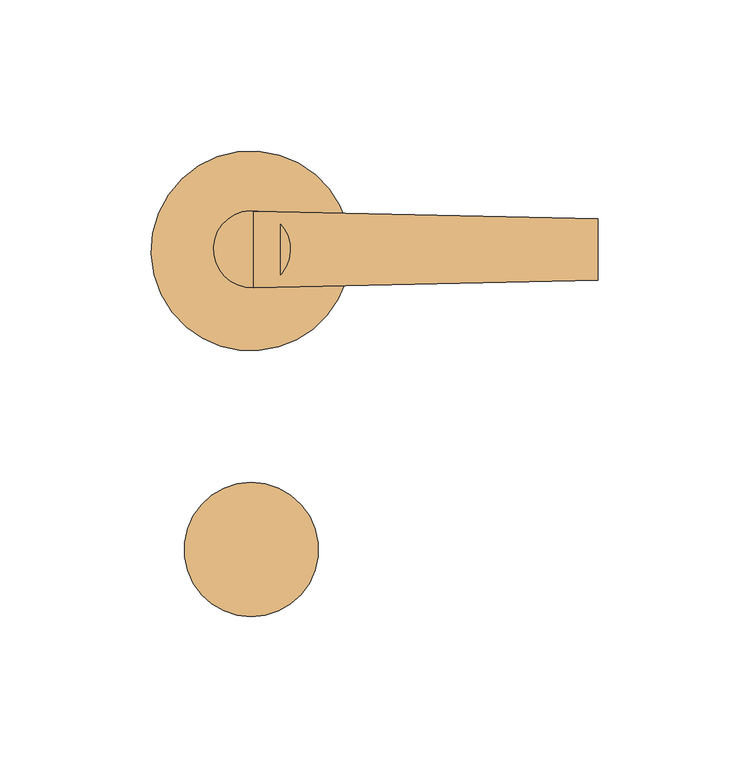
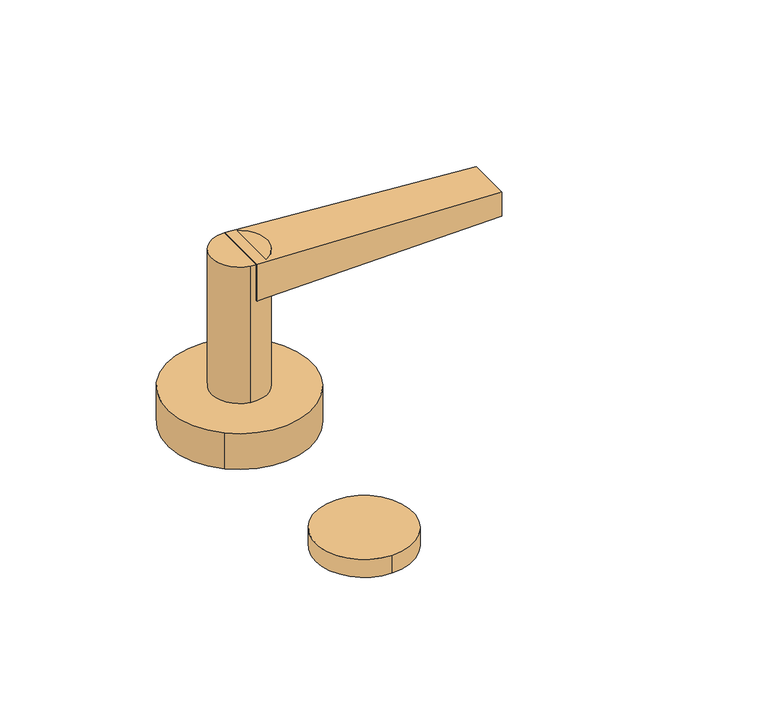
"""IFC4 building model written with IfcOpenShell, lengths in millimetres: door geometry."""

from ifc_helpers import new_model, si_unit, point, frame, frame_2d, origin, origin_with_axes, place, context, project, spatial, circle_curve, trimmed, segment, composite_curve, outline, extrude, source, transform, mapped, element, save
from ifc_brep_helpers import plane_surface, spline_surface, advanced_brep


def door_bc668c18(model_context):
    return source(origin(), model_context, "Body", "SolidModel", [
        extrude(outline(composite_curve([segment(trimmed(circle_curve(frame_2d((-1.5048449, -99.4936932)), 22.212872), [point((-1.5048449, -121.7065651))], [point((-1.5048449, -77.2808212))], False, "CARTESIAN"), True, "CONTINUOUS"), segment(trimmed(circle_curve(frame_2d((-1.5048449, -99.4936932)), 22.212872), [point((-1.5048449, -77.2808212))], [point((-1.5048449, -121.7065651))], False, "CARTESIAN"), True, "CONTINUOUS")], self_intersect=False)), origin_with_axes(), (0.0, 0.0, 1.0), 8.636),
        advanced_brep(
        [(113.0826159, 9.8661661, 77.089), (113.0826159, -10.4783486, 77.089), (113.0826159, -10.4783486, 65.659), (113.0826159, 9.8661661, 65.659), (-0.79375, 12.3783123, 83.439), (-0.79375, 12.378509, 65.659), (-0.79375, -13.0089229, 65.659), (-0.79375, -13.0118705, 83.439)],
        [
            (0, 1),
            (1, 2),
            (2, 3),
            (3, 0),
            (4, 5),
            (5, 6),
            (6, 7),
            (7, 4),
            (4, 0),
            (3, 5),
            (2, 6),
            (1, 7),
        ],
        [
            plane_surface(frame((113.0826159, -0.3060912, 71.374), z_axis=(1.0, 0.0, 0.0), x_axis=(0.0, 1.0, 0.0))),
            plane_surface(frame((-0.79375, -0.315993, 74.549), z_axis=(-1.0000000000000002, 0.0, 0.0), x_axis=(0.0, 1.1064247386625775e-05, -0.9999999999387913))),
            spline_surface(1, 1, [[(-0.79375, 12.3783123, 83.439), (-0.79375, 12.378509, 65.659)], [(113.0826159, 9.8661661, 77.089), (113.0826159, 9.8661661, 65.659)]], [2, 2], [2, 2], [0.0, 1.0], [0.0, 1.0]),
            plane_surface(frame((-0.79375, -0.315207, 65.659), z_axis=(0.0, 0.0, -1.0), x_axis=(0.0, -1.0, 0.0))),
            spline_surface(1, 1, [[(-0.79375, -13.0089229, 65.659), (-0.79375, -13.0118705, 83.439)], [(113.0826159, -10.4783486, 65.659), (113.0826159, -10.4783486, 77.089)]], [2, 2], [2, 2], [0.0, 1.0], [0.0, 1.0]),
            plane_surface(frame((-0.79375, -0.3167791, 83.439), z_axis=(0.05567573642750613, 0.0, 0.9984489032360419), x_axis=(0.0, 1.0, 0.0))),
        ],
        [
            (0, [[1, 2, 3, 4]]),
            (1, [[5, 6, 7, 8]]),
            (2, [[9, -4, 10, -5]]),
            (3, [[-10, -3, 11, -6]]),
            (4, [[-11, -2, 12, -7]]),
            (5, [[-12, -1, -9, -8]]),
        ],
    ),
        extrude(outline(composite_curve([segment(trimmed(circle_curve(frame_2d((-1.3064074, -0.1984375)), 12.7), [point((-3.427265, -12.7200973))], [point((0.8144502, 12.3232223))], False, "CARTESIAN"), True, "CONTINUOUS"), segment(trimmed(circle_curve(frame_2d((-1.3064074, -0.1984375)), 12.7), [point((0.8144502, 12.3232223))], [point((-3.427265, -12.7200973))], False, "CARTESIAN"), True, "CONTINUOUS")], self_intersect=False)), frame((0.0, 0.0, 17.399), z_axis=(0.0, 0.0, 1.0), x_axis=(1.0, 0.0, 0.0)), (0.0, 0.0, 1.0), 66.04),
        extrude(outline(composite_curve([segment(trimmed(circle_curve(frame_2d((-1.6178614, -0.7745191)), 33.02), [point((-22.9508261, -25.9781898))], [point((19.7151032, 24.4291516))], False, "CARTESIAN"), True, "CONTINUOUS"), segment(trimmed(circle_curve(frame_2d((-1.6178614, -0.7745191)), 33.02), [point((19.7151032, 24.4291516))], [point((-22.9508261, -25.9781898))], False, "CARTESIAN"), True, "CONTINUOUS")], self_intersect=False)), origin_with_axes(), (0.0, 0.0, 1.0), 17.399),
    ])


if __name__ == "__main__":
    model = new_model("IFC4")
    model_context = context("Model", 3, world=origin())
    ifc_project = project(units=[si_unit("LENGTHUNIT", "METRE", prefix="MILLI")], contexts=[model_context])
    site = spatial("IfcSite", under=ifc_project)
    building = spatial("IfcBuilding", under=site)
    placement = place(None, origin())
    door_shape = door_bc668c18(model_context)
    element("IfcDoor", 1, at=placement, inside=building, context=model_context, shape_type="MappedRepresentation", body=[
        mapped(door_shape, transform((0.0, 0.0, 0.0), x_axis=(1.0, 0.0, 0.0), y_axis=(0.0, 1.0, 0.0), z_axis=(0.0, 0.0, 1.0))),
    ])
    save(model, "model.ifc")
